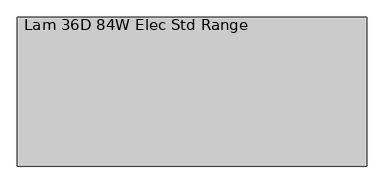
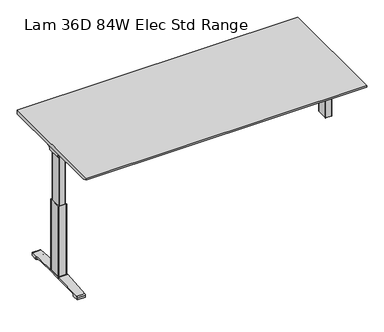
"""IFC4 building model written with IfcOpenShell, lengths in millimetres: furniture geometry, Lam 36D 84W Elec Std Range."""

from ifc_helpers import new_model, si_unit, point, frame, frame_2d, origin, place, context, project, spatial, polyline, circle_curve, ellipse_curve, trimmed, segment, composite_curve, outline, extrude, source, transform, mapped, element, save
from ifc_brep_helpers import plane_surface, cylinder_surface, revolved_surface, advanced_brep


def lam_36d_84w_elec_std_range_c8748b2a(model_context):
    return source(origin(), model_context, "Body", "SolidModel", [
        extrude(outline(polyline([(-442.976, 1066.8), (442.976, 1066.8), (442.976, 1037.209), (-400.0626663, 1037.209), (-442.976, 1055.7002), (-442.976, 1066.8)])), frame((-1039.876, 0.0, 0.0), z_axis=(1.0, 0.0, 0.0), x_axis=(0.0, 1.0, 0.0)), (0.0, 0.0, 1.0), 2079.752),
        advanced_brep(
        [(-1023.5406297, 53.5092702, 988.7915733), (-857.8122138, 53.5092702, 988.7915733), (-872.1924181, 51.2808169, 986.1442785), (-1021.0518591, 51.2808169, 986.1442785), (-1023.7625278, 53.518256, 989.0276054), (-1026.1619089, 54.1622827, 1005.9443054), (-843.3773962, 54.1622827, 1005.9443054), (-843.3773962, 53.8142965, 996.8037253), (-846.2075093, 53.7331058, 994.6710821), (-846.3501644, 53.6554397, 992.6310191), (-1027.0185362, 59.6293181, 1011.9839076), (-843.3773962, 59.6293181, 1011.9839076), (-1029.5393767, 174.2005225, 1029.7569507), (-965.3243442, 174.2005225, 1029.7569507), (-843.3773962, 93.3958, 1017.2219877), (-1029.6128152, 177.9765275, 1030.2747243), (-971.0229255, 177.9765275, 1030.2747243), (-1030.2871296, 179.4867839, 1035.0289399), (-1028.5021288, 176.9098888, 1037.209), (-969.4132011, 176.9098888, 1037.209), (-1030.2871296, -179.4867839, 1035.0289399), (-1029.6128152, -177.9765275, 1030.2747243), (-971.0229255, -177.9765275, 1030.2747243), (-969.4132011, -176.9098888, 1037.209), (-1028.5021288, -176.9098888, 1037.209), (-1029.5393767, -174.2005225, 1029.7569507), (-965.3243442, -174.2005225, 1029.7569507), (-1027.0185362, -59.6293181, 1011.9839076), (-843.3773962, -59.6293181, 1011.9839076), (-843.3773962, -93.3958, 1017.2219877), (-1026.1619089, -54.1622827, 1005.9443054), (-843.3773962, -54.1622827, 1005.9443054), (-1023.7625278, -53.518256, 989.0276054), (-1023.5406297, -53.5092702, 988.7915733), (-857.8122138, -53.5092702, 988.7915733), (-846.3501644, -53.6554397, 992.6310191), (-846.2075093, -53.7331058, 994.6710821), (-843.3773962, -53.8142965, 996.8037253), (-1021.0518591, -51.2808169, 986.1442785), (-872.1924181, -51.2808169, 986.1442785), (-843.3773962, -93.3958, 1037.209), (-843.3773962, 93.3958, 1037.209)],
        [
            (0, 1),
            (1, 2, ellipse_curve(frame((-882.0936465, 130.5470009, 1080.3086722), z_axis=(0.0, 0.7650318638532662, -0.6439924279750482), x_axis=(0.0, 0.6439924279750482, 0.7650318638532662)), 123.7641411, 94.6835116)),
            (2, 3),
            (3, 0),
            (0, 4),
            (4, 5),
            (5, 6),
            (6, 7),
            (7, 8),
            (8, 9),
            (9, 1, ellipse_curve(frame((-882.0936465, 56.9933686, 1080.3086722), z_axis=(0.0, 0.999276106683639, -0.03804290487316255), x_axis=(0.0, 0.03804290487316397, 0.999276106683639)), 94.752102, 94.6835116)),
            (5, 10, ellipse_curve(frame((-1026.1119691, 60.6208409, 1005.5922075), z_axis=(-0.990090671484964, 0.0, -0.14042956326377007), x_axis=(-0.1404295632637696, 0.0, 0.990090671484964)), 6.5328852, 6.4681487)),
            (10, 11),
            (11, 6, circle_curve(frame((-843.3773962, 60.6208409, 1005.5922075), z_axis=(1.0, 0.0, 0.0), x_axis=(0.0, 1.0, 0.0)), 6.4681487)),
            (10, 12),
            (12, 13),
            (13, 14),
            (14, 11),
            (12, 15),
            (15, 16),
            (16, 13),
            (15, 17, ellipse_curve(frame((-1030.0730772, 175.9994111, 1033.5197755), z_axis=(0.990090671484964, 0.0, 0.14042956326377007), x_axis=(0.1404295632637696, 0.0, -0.990090671484964)), 3.8379455, 3.7999141)),
            (17, 18, ellipse_curve(frame((-1031.522811, 175.9994111, 1033.5197755), z_axis=(0.7737284588433301, 0.0, -0.6335173809580328), x_axis=(0.6335173809580328, 0.0, 0.77372845884333)), 4.9111727, 3.7999141)),
            (18, 19),
            (19, 16, ellipse_curve(frame((-968.039148, 175.9994111, 1033.5197755), z_axis=(-0.5523637579768177, -0.8336031902972346, 0.0), x_axis=(0.8336031902972346, -0.5523637579768177, 0.0)), 6.8793689, 3.7999141)),
            (20, 21, ellipse_curve(frame((-1030.0730772, -175.9994111, 1033.5197755), z_axis=(0.990090671484964, 0.0, 0.14042956326377007), x_axis=(0.1404295632637696, 0.0, -0.990090671484964)), 3.8379455, 3.7999141)),
            (21, 22),
            (22, 23, ellipse_curve(frame((-968.039148, -175.9994111, 1033.5197755), z_axis=(-0.5523637579750422, 0.8336031902984112, 0.0), x_axis=(0.8336031902984111, 0.5523637579750423, 0.0)), 6.8793689, 3.7999141)),
            (23, 24),
            (24, 20, ellipse_curve(frame((-1031.522811, -175.9994111, 1033.5197755), z_axis=(0.7737284588433301, 0.0, -0.6335173809580328), x_axis=(0.6335173809580328, 0.0, 0.77372845884333)), 4.9111727, 3.7999141)),
            (21, 25),
            (25, 26),
            (26, 22),
            (27, 28),
            (28, 29),
            (29, 26),
            (25, 27),
            (27, 30, ellipse_curve(frame((-1026.1119691, -60.6208409, 1005.5922075), z_axis=(-0.990090671484964, 0.0, -0.14042956326377007), x_axis=(-0.1404295632637696, 0.0, 0.990090671484964)), 6.5328852, 6.4681487)),
            (30, 31),
            (31, 28, circle_curve(frame((-843.3773962, -60.6208409, 1005.5922075), z_axis=(1.0, 0.0, 0.0), x_axis=(0.0, 1.0, 0.0)), 6.4681487)),
            (30, 32),
            (32, 33),
            (33, 34),
            (34, 35, ellipse_curve(frame((-882.0936465, -56.9933686, 1080.3086722), z_axis=(0.0, -0.9992761066836363, -0.03804290487323539), x_axis=(0.0, 0.03804290487323121, -0.9992761066836364)), 94.752102, 94.6835116)),
            (35, 36),
            (36, 37),
            (37, 31),
            (33, 38),
            (38, 39),
            (39, 34, ellipse_curve(frame((-882.0936465, -130.5470009, 1080.3086722), z_axis=(0.0, -0.7650318638534733, -0.643992427974802), x_axis=(0.0, 0.643992427974802, -0.7650318638534732)), 123.7641411, 94.6835116)),
            (4, 32),
            (20, 17),
            (24, 18),
            (23, 40),
            (40, 41),
            (41, 19),
            (37, 7),
            (14, 41),
            (40, 29),
            (36, 8),
            (35, 9),
            (39, 2),
            (38, 3),
        ],
        [
            plane_surface(frame((-1046.5773962, 51.2808169, 986.1442785), z_axis=(0.0, 0.7650318638532662, -0.6439924279750482), x_axis=(1.0, 0.0, 0.0))),
            plane_surface(frame((-1046.5773962, 53.5092702, 988.7915733), z_axis=(0.0, 0.999276106683639, -0.03804290487316255), x_axis=(1.0, 0.0, 0.0))),
            revolved_surface(polyline([(-1027.0293793154883, 67.08898959999999, 1005.5922075), (-843.3773962, 67.08898959999999, 1005.5922075)]), (-1046.5773962, 60.6208409, 1005.5922075), (-1.0, 0.0, 0.0)),
            plane_surface(frame((-1046.5773962, 59.6293181, 1011.9839076), z_axis=(0.0, 0.153293135871396, -0.9881807600306302), x_axis=(1.0, 0.0, 0.0))),
            plane_surface(frame((-1046.5773962, 174.2005225, 1029.7569507), z_axis=(0.0, 0.13585085469026903, -0.9907292996979162), x_axis=(1.0, 0.0, 0.0))),
            cylinder_surface(frame((-1046.5773962, 175.9994111, 1033.5197755), z_axis=(1.0, 0.0, 0.0), x_axis=(0.0, 1.0, 0.0)), 3.7999141),
            cylinder_surface(frame((-1046.5773962, -175.9994111, 1033.5197755), z_axis=(1.0, 0.0, 0.0), x_axis=(0.0, 1.0, 0.0)), 3.7999141),
            plane_surface(frame((-1046.5773962, -177.9765275, 1030.2747243), z_axis=(0.0, -0.13585085468791205, -0.9907292996982394), x_axis=(1.0, 0.0, 0.0))),
            plane_surface(frame((-1046.5773962, -174.2005225, 1029.7569507), z_axis=(0.0, -0.1532931358714066, -0.9881807600306285), x_axis=(1.0, 0.0, 0.0))),
            revolved_surface(polyline([(-1027.0293793154883, -54.1526922, 1005.5922075), (-843.3773962, -54.1526922, 1005.5922075)]), (-1046.5773962, -60.6208409, 1005.5922075), (-1.0, 0.0, 0.0)),
            plane_surface(frame((-1046.5773962, -54.1622827, 1005.9443054), z_axis=(0.0, -0.9992761066836363, -0.03804290487323539), x_axis=(1.0, 0.0, 0.0))),
            plane_surface(frame((-1046.5773962, -53.5092702, 988.7915733), z_axis=(0.0, -0.7650318638534733, -0.643992427974802), x_axis=(1.0, 0.0, 0.0))),
            plane_surface(frame((-1023.7625278, 190.5, 989.0276054), z_axis=(-0.990090671484964, 0.0, -0.14042956326377007), x_axis=(0.0, -1.0, 0.0))),
            plane_surface(frame((-1030.2871296, 190.5, 1035.0289399), z_axis=(-0.7737284588433301, 0.0, 0.6335173809580328), x_axis=(0.0, -1.0, 0.0))),
            plane_surface(frame((-1028.5021288, 190.5, 1037.209), z_axis=(0.0, 0.0, 1.0), x_axis=(0.0, -1.0, 0.0))),
            plane_surface(frame((-843.3773962, 190.5, 1037.209), z_axis=(1.0, 0.0, 0.0), x_axis=(0.0, -1.0, 0.0))),
            plane_surface(frame((-843.3773962, 190.5, 996.8037253), z_axis=(0.6018150231516033, 0.0, -0.7986355100476283), x_axis=(0.0, -1.0, 0.0))),
            plane_surface(frame((-846.2075093, 190.5, 994.6710821), z_axis=(0.9975640502600355, 0.0, -0.06975647374110414), x_axis=(0.0, -1.0, 0.0))),
            cylinder_surface(frame((-882.0936465, 190.5, 1080.3086722), z_axis=(0.0, 1.0, 0.0), x_axis=(1.0, 0.0, 0.0)), 94.6835116),
            plane_surface(frame((-872.1924181, 190.5, 986.1442785), z_axis=(0.0, 0.0, -1.0), x_axis=(0.0, -1.0, 0.0))),
            plane_surface(frame((-1021.0518591, 190.5, 986.1442785), z_axis=(-0.728584606419653, 0.0, -0.6849558170337118), x_axis=(0.0, -1.0, 0.0))),
            plane_surface(frame((-989.9228017, 190.5, 1037.209), z_axis=(0.5523637579768177, 0.8336031902972346, 0.0), x_axis=(0.0, 0.0, -1.0))),
            plane_surface(frame((-843.3773962, -93.3958, 1037.209), z_axis=(0.5523637579750422, -0.8336031902984112, 0.0), x_axis=(0.0, 0.0, -1.0))),
        ],
        [
            (0, [[1, 2, 3, 4]]),
            (1, [[-1, 5, 6, 7, 8, 9, 10, 11]]),
            (2, [[-7, 12, 13, 14]]),
            (3, [[-13, 15, 16, 17, 18]]),
            (4, [[19, 20, 21, -16]]),
            (5, [[22, 23, 24, 25, -20]]),
            (6, [[26, 27, 28, 29, 30]]),
            (7, [[31, 32, 33, -27]]),
            (8, [[34, 35, 36, -32, 37]]),
            (9, [[-34, 38, 39, 40]]),
            (10, [[-39, 41, 42, 43, 44, 45, 46, 47]]),
            (11, [[-43, 48, 49, 50]]),
            (12, [[51, -41, -38, -37, -31, -26, 52, -22, -19, -15, -12, -6]]),
            (13, [[-52, -30, 53, -23]]),
            (14, [[-53, -29, 54, 55, 56, -24]]),
            (15, [[57, -8, -14, -18, 58, -55, 59, -35, -40, -47]]),
            (16, [[-57, -46, 60, -9]]),
            (17, [[-60, -45, 61, -10]]),
            (18, [[-61, -44, -50, 62, -2, -11]]),
            (19, [[-62, -49, 63, -3]]),
            (20, [[-51, -5, -4, -63, -48, -42]]),
            (21, [[-56, -58, -17, -21, -25]]),
            (22, [[-54, -28, -33, -36, -59]]),
        ],
    ),
        advanced_brep(
        [(857.8122138, 53.5092702, 988.7915733), (1023.5406297, 53.5092702, 988.7915733), (1021.0518591, 51.2808169, 986.1442785), (872.1924181, 51.2808169, 986.1442785), (846.3501644, 53.6554397, 992.6310191), (846.2075093, 53.7331058, 994.6710821), (843.5619573, 53.8090018, 996.6646485), (843.5619573, 54.1622827, 1005.9443054), (1026.1619089, 54.1622827, 1005.9443054), (1023.7625278, 53.518256, 989.0276054), (843.5619573, 59.6293181, 1011.9839076), (1027.0185362, 59.6293181, 1011.9839076), (843.5619573, 93.3889953, 1017.2209321), (965.3570453, 174.2005225, 1029.7569507), (1029.5393767, 174.2005225, 1029.7569507), (1029.6128152, 177.9765275, 1030.2747243), (971.0480509, 177.9765275, 1030.2747243), (1030.2871296, 179.4867839, 1035.0289399), (969.4404665, 176.9098888, 1037.209), (1028.5021288, 176.9098888, 1037.209), (1029.6128152, -177.9765275, 1030.2747243), (1030.2871296, -179.4867839, 1035.0289399), (1028.5021288, -176.9098888, 1037.209), (969.4404665, -176.9098888, 1037.209), (971.0480509, -177.9765275, 1030.2747243), (1029.5393767, -174.2005225, 1029.7569507), (965.3570453, -174.2005225, 1029.7569507), (843.5619573, -59.6293181, 1011.9839076), (1027.0185362, -59.6293181, 1011.9839076), (843.5619573, -93.3889953, 1017.2209321), (843.5619573, -54.1622827, 1005.9443054), (1026.1619089, -54.1622827, 1005.9443054), (843.5619573, -53.8090018, 996.6646485), (846.2075093, -53.7331058, 994.6710821), (846.3501644, -53.6554397, 992.6310191), (857.8122138, -53.5092702, 988.7915733), (1023.5406297, -53.5092702, 988.7915733), (1023.7625278, -53.518256, 989.0276054), (872.1924181, -51.2808169, 986.1442785), (1021.0518591, -51.2808169, 986.1442785), (843.5619573, 93.3889953, 1037.209), (843.5619573, -93.3889953, 1037.209)],
        [
            (0, 1),
            (1, 2),
            (2, 3),
            (3, 0, ellipse_curve(frame((882.0936465, 130.5470009, 1080.3086722), z_axis=(0.0, 0.7650318638532565, -0.6439924279750596), x_axis=(0.0, -0.6439924279750596, -0.7650318638532564)), 123.7641411, 94.6835116)),
            (0, 4, ellipse_curve(frame((882.0936465, 56.9933686, 1080.3086722), z_axis=(0.0, 0.9992761066836392, -0.03804290487315862), x_axis=(0.0, -0.03804290487315623, -0.9992761066836393)), 94.752102, 94.6835116)),
            (4, 5),
            (5, 6),
            (6, 7),
            (7, 8),
            (8, 9),
            (9, 1),
            (7, 10, circle_curve(frame((843.5619573, 60.6208409, 1005.5922075), z_axis=(-1.0, 0.0, 0.0), x_axis=(0.0, 1.0, 0.0)), 6.4681487)),
            (10, 11),
            (11, 8, ellipse_curve(frame((1026.1119691, 60.6208409, 1005.5922075), z_axis=(0.9900906714849659, 0.0, -0.1404295632637567), x_axis=(-0.1404295632637562, 0.0, -0.9900906714849659)), 6.5328852, 6.4681487)),
            (10, 12),
            (12, 13),
            (13, 14),
            (14, 11),
            (15, 14),
            (13, 16),
            (16, 15),
            (17, 15, ellipse_curve(frame((1030.0730772, 175.9994111, 1033.5197755), z_axis=(-0.9900906714849659, 0.0, 0.1404295632637567), x_axis=(0.1404295632637562, 0.0, 0.9900906714849659)), 3.8379455, 3.7999141)),
            (16, 18, ellipse_curve(frame((968.06824, 175.9994111, 1033.5197755), z_axis=(0.5528743936295489, -0.8332646067539162, 0.0), x_axis=(0.8332646067539162, 0.5528743936295489, 0.0)), 6.8730151, 3.7999141)),
            (18, 19),
            (19, 17, ellipse_curve(frame((1031.522811, 175.9994111, 1033.5197755), z_axis=(-0.7737284588399557, 0.0, -0.633517380962154), x_axis=(0.6335173809621538, 0.0, -0.7737284588399556)), 4.9111727, 3.7999141)),
            (20, 21, ellipse_curve(frame((1030.0730772, -175.9994111, 1033.5197755), z_axis=(-0.9900906714849659, 0.0, 0.1404295632637567), x_axis=(0.1404295632637562, 0.0, 0.9900906714849659)), 3.8379455, 3.7999141)),
            (21, 22, ellipse_curve(frame((1031.522811, -175.9994111, 1033.5197755), z_axis=(-0.7737284588399557, 0.0, -0.633517380962154), x_axis=(0.6335173809621538, 0.0, -0.7737284588399556)), 4.9111727, 3.7999141)),
            (22, 23),
            (23, 24, ellipse_curve(frame((968.06824, -175.9994111, 1033.5197755), z_axis=(0.552874393629534, 0.8332646067539262, 0.0), x_axis=(0.8332646067539261, -0.552874393629534, 0.0)), 6.8730151, 3.7999141)),
            (24, 20),
            (25, 20),
            (24, 26),
            (26, 25),
            (27, 28),
            (28, 25),
            (26, 29),
            (29, 27),
            (27, 30, circle_curve(frame((843.5619573, -60.6208409, 1005.5922075), z_axis=(-1.0, 0.0, 0.0), x_axis=(0.0, 1.0, 0.0)), 6.4681487)),
            (30, 31),
            (31, 28, ellipse_curve(frame((1026.1119691, -60.6208409, 1005.5922075), z_axis=(0.9900906714849659, 0.0, -0.1404295632637567), x_axis=(-0.1404295632637562, 0.0, -0.9900906714849659)), 6.5328852, 6.4681487)),
            (30, 32),
            (32, 33),
            (33, 34),
            (34, 35, ellipse_curve(frame((882.0936465, -56.9933686, 1080.3086722), z_axis=(0.0, -0.9992761066836363, -0.03804290487323539), x_axis=(0.0, -0.03804290487323121, 0.9992761066836364)), 94.752102, 94.6835116)),
            (35, 36),
            (36, 37),
            (37, 31),
            (35, 38, ellipse_curve(frame((882.0936465, -130.5470009, 1080.3086722), z_axis=(0.0, -0.7650318638534733, -0.643992427974802), x_axis=(0.0, -0.643992427974802, 0.7650318638534732)), 123.7641411, 94.6835116)),
            (38, 39),
            (39, 36),
            (37, 9),
            (17, 21),
            (19, 22),
            (18, 40),
            (40, 41),
            (41, 23),
            (6, 32),
            (29, 41),
            (40, 12),
            (5, 33),
            (4, 34),
            (3, 38),
            (2, 39),
        ],
        [
            plane_surface(frame((843.5619573, 51.2808169, 986.1442785), z_axis=(0.0, 0.7650318638532565, -0.6439924279750596), x_axis=(1.0, 0.0, 0.0))),
            plane_surface(frame((843.5619573, 53.5092702, 988.7915733), z_axis=(0.0, 0.9992761066836392, -0.03804290487315862), x_axis=(1.0, 0.0, 0.0))),
            revolved_surface(polyline([(843.5619573, 67.08898959999999, 1005.5922075), (1027.029379315488, 67.08898959999999, 1005.5922075)]), (843.5619573, 60.6208409, 1005.5922075), (-1.0, 0.0, 0.0)),
            plane_surface(frame((843.5619573, 59.6293181, 1011.9839076), z_axis=(0.0, 0.15329313587140309, -0.988180760030629), x_axis=(1.0, 0.0, 0.0))),
            plane_surface(frame((843.5619573, 174.2005225, 1029.7569507), z_axis=(0.0, 0.1358508546900816, -0.9907292996979419), x_axis=(1.0, 0.0, 0.0))),
            cylinder_surface(frame((843.5619573, 175.9994111, 1033.5197755), z_axis=(1.0, 0.0, 0.0), x_axis=(0.0, 1.0, 0.0)), 3.7999141),
            cylinder_surface(frame((843.5619573, -175.9994111, 1033.5197755), z_axis=(1.0, 0.0, 0.0), x_axis=(0.0, 1.0, 0.0)), 3.7999141),
            plane_surface(frame((843.5619573, -177.9765275, 1030.2747243), z_axis=(0.0, -0.1358508546877776, -0.9907292996982578), x_axis=(1.0, 0.0, 0.0))),
            plane_surface(frame((843.5619573, -174.2005225, 1029.7569507), z_axis=(0.0, -0.15329313587141113, -0.9881807600306277), x_axis=(1.0, 0.0, 0.0))),
            revolved_surface(polyline([(843.5619573, -54.1526922, 1005.5922075), (1027.029379315488, -54.1526922, 1005.5922075)]), (843.5619573, -60.6208409, 1005.5922075), (-1.0, 0.0, 0.0)),
            plane_surface(frame((843.5619573, -54.1622827, 1005.9443054), z_axis=(0.0, -0.9992761066836363, -0.03804290487323539), x_axis=(1.0, 0.0, 0.0))),
            plane_surface(frame((843.5619573, -53.5092702, 988.7915733), z_axis=(0.0, -0.7650318638534733, -0.643992427974802), x_axis=(1.0, 0.0, 0.0))),
            plane_surface(frame((1023.7625278, -190.5, 989.0276054), z_axis=(0.9900906714849659, 0.0, -0.1404295632637567), x_axis=(0.0, 1.0, 0.0))),
            plane_surface(frame((1030.2871296, -190.5, 1035.0289399), z_axis=(0.7737284588399557, 0.0, 0.633517380962154), x_axis=(0.0, 1.0, 0.0))),
            plane_surface(frame((1028.5021288, -190.5, 1037.209), z_axis=(0.0, 0.0, 1.0), x_axis=(0.0, 1.0, 0.0))),
            plane_surface(frame((843.5619573, -190.5, 1037.209), z_axis=(-1.0, 0.0, 0.0), x_axis=(0.0, 1.0, 0.0))),
            plane_surface(frame((843.5619573, -190.5, 996.6646485), z_axis=(-0.6018150231540728, 0.0, -0.7986355100457674), x_axis=(0.0, 1.0, 0.0))),
            plane_surface(frame((846.2075093, -190.5, 994.6710821), z_axis=(-0.9975640502598242, 0.0, -0.06975647374412697), x_axis=(0.0, 1.0, 0.0))),
            cylinder_surface(frame((882.0936465, -190.5, 1080.3086722), z_axis=(0.0, -1.0, 0.0), x_axis=(-1.0, 0.0, 0.0)), 94.6835116),
            plane_surface(frame((872.1924181, -190.5, 986.1442785), z_axis=(0.0, 0.0, -1.0), x_axis=(0.0, 1.0, 0.0))),
            plane_surface(frame((1021.0518591, -190.5, 986.1442785), z_axis=(0.7285846064222866, 0.0, -0.6849558170309101), x_axis=(0.0, 1.0, 0.0))),
            plane_surface(frame((843.5619573, 93.3889953, 1037.209), z_axis=(-0.5528743936295489, 0.8332646067539162, 0.0), x_axis=(0.0, 0.0, -1.0))),
            plane_surface(frame((989.9228017, -190.5, 1037.209), z_axis=(-0.552874393629534, -0.8332646067539262, 0.0), x_axis=(0.0, 0.0, -1.0))),
        ],
        [
            (0, [[1, 2, 3, 4]]),
            (1, [[-1, 5, 6, 7, 8, 9, 10, 11]]),
            (2, [[-9, 12, 13, 14]]),
            (3, [[-13, 15, 16, 17, 18]]),
            (4, [[19, -17, 20, 21]]),
            (5, [[22, -21, 23, 24, 25]]),
            (6, [[26, 27, 28, 29, 30]]),
            (7, [[31, -30, 32, 33]]),
            (8, [[34, 35, -33, 36, 37]]),
            (9, [[-34, 38, 39, 40]]),
            (10, [[-39, 41, 42, 43, 44, 45, 46, 47]]),
            (11, [[-45, 48, 49, 50]]),
            (12, [[51, -10, -14, -18, -19, -22, 52, -26, -31, -35, -40, -47]]),
            (13, [[-52, -25, 53, -27]]),
            (14, [[-53, -24, 54, 55, 56, -28]]),
            (15, [[57, -41, -38, -37, 58, -55, 59, -15, -12, -8]]),
            (16, [[-57, -7, 60, -42]]),
            (17, [[-60, -6, 61, -43]]),
            (18, [[-61, -5, -4, 62, -48, -44]]),
            (19, [[-62, -3, 63, -49]]),
            (20, [[-51, -46, -50, -63, -2, -11]]),
            (21, [[-54, -23, -20, -16, -59]]),
            (22, [[-56, -58, -36, -32, -29]]),
        ],
    ),
        advanced_brep(
        [(-843.3773962, 78.6831697, 1031.9794894), (-843.3773962, 80.4475242, 1034.2075511), (-843.3773962, 91.4281225, 1034.2075511), (-843.3773962, 92.1582919, 1031.6093085), (-843.3773962, 70.7319108, 1002.0462148), (-843.3773962, 53.3310914, 993.4452863), (-843.3773962, -53.4567844, 993.4452863), (-843.3773962, -71.0845783, 1002.4997482), (-843.3773962, -92.4192862, 1032.2706054), (-843.3773962, -90.7807234, 1034.3266572), (-843.3773962, -80.5655902, 1034.3266572), (-843.3773962, -78.6946152, 1031.9794894), (-843.3773962, -79.4358363, 1031.4423822), (-843.3773962, -81.0060637, 1033.4122572), (-843.3773962, -90.6846762, 1033.4122572), (-843.3773962, -91.4905649, 1032.5444366), (-843.3773962, -70.3413256, 1003.0323858), (-843.3773962, -53.4567844, 994.3598536), (-843.3773962, 53.3310914, 994.3596863), (-843.3773962, 69.99844, 1002.5923713), (-843.3773962, 91.3521627, 1032.0552144), (-843.3773962, 91.0948942, 1033.2931511), (-843.3773962, 80.889809, 1033.2931511), (-843.3773962, 79.4242719, 1031.4424419), (843.5619573, 78.6831697, 1031.9794894), (843.5619573, 79.4242719, 1031.4424419), (843.5619573, 80.889809, 1033.2931511), (843.5619573, 91.0948942, 1033.2931511), (843.5619573, 91.3521627, 1032.0552144), (843.5619573, 69.99844, 1002.5923713), (843.5619573, 53.3310914, 994.3596863), (843.5619573, -53.4567845, 994.3596863), (843.5619573, -70.3413256, 1003.0323858), (843.5619573, -91.4905649, 1032.5444366), (843.5619573, -90.6846762, 1033.4122572), (843.5619573, -81.0060637, 1033.4122572), (843.5619573, -79.4358363, 1031.4423822), (843.5619573, -78.6946152, 1031.9794894), (843.5619573, -80.5655902, 1034.3266572), (843.5619573, -90.7807234, 1034.3266572), (843.5619573, -92.4192862, 1032.2706054), (843.5619573, -71.0845783, 1002.4997482), (843.5619573, -53.4567844, 993.4454536), (843.5619573, 53.3310914, 993.4452863), (843.5619573, 70.7319108, 1002.0462148), (843.5619573, 92.1582919, 1031.6093085), (843.5619573, 91.4281225, 1034.2075511), (843.5619573, 80.4475242, 1034.2075511)],
        [
            (0, 1),
            (1, 2),
            (2, 3, circle_curve(frame((-843.3773962, 90.2105576, 1032.4636667), z_axis=(-1.0, 0.0, 0.0), x_axis=(0.0, 1.0, 0.0)), 2.1268749)),
            (3, 4),
            (4, 5, circle_curve(frame((-843.3773962, 53.3310914, 1015.3478336), z_axis=(-1.0, 0.0, 0.0), x_axis=(0.0, 1.0, 0.0)), 21.9025472)),
            (5, 6),
            (6, 7, circle_curve(frame((-843.3773962, -53.4567844, 1015.132365), z_axis=(-1.0, 0.0, 0.0), x_axis=(0.0, 1.0, 0.0)), 21.6869114)),
            (7, 8),
            (8, 9, circle_curve(frame((-843.3773962, -90.4189365, 1032.3573833), z_axis=(-1.0, 0.0, 0.0), x_axis=(0.0, 1.0, 0.0)), 2.0022311)),
            (9, 10),
            (10, 11),
            (11, 12),
            (12, 13),
            (13, 14),
            (14, 15, circle_curve(frame((-843.3773962, -90.4189365, 1032.3573833), z_axis=(1.0, 0.0, 0.0), x_axis=(0.0, 1.0, 0.0)), 1.0878311)),
            (15, 16),
            (16, 17, circle_curve(frame((-843.3773962, -53.4567844, 1015.132365), z_axis=(1.0, 0.0, 0.0), x_axis=(0.0, 1.0, 0.0)), 20.7725114)),
            (17, 18),
            (18, 19, circle_curve(frame((-843.3773962, 53.3310914, 1015.3478336), z_axis=(1.0, 0.0, 0.0), x_axis=(0.0, 1.0, 0.0)), 20.9881473)),
            (19, 20),
            (20, 21, circle_curve(frame((-843.3773962, 90.2105576, 1032.4636667), z_axis=(1.0, 0.0, 0.0), x_axis=(0.0, 1.0, 0.0)), 1.2124749)),
            (21, 22),
            (22, 23),
            (23, 0),
            (24, 25),
            (25, 26),
            (26, 27),
            (27, 28, circle_curve(frame((843.5619573, 90.2105576, 1032.4636667), z_axis=(-1.0, 0.0, 0.0), x_axis=(0.0, 1.0, 0.0)), 1.2124749)),
            (28, 29),
            (29, 30, circle_curve(frame((843.5619573, 53.3310914, 1015.3478336), z_axis=(-1.0, 0.0, 0.0), x_axis=(0.0, 1.0, 0.0)), 20.9881473)),
            (30, 31),
            (31, 32, circle_curve(frame((843.5619573, -53.4567844, 1015.132365), z_axis=(-1.0, 0.0, 0.0), x_axis=(0.0, 1.0, 0.0)), 20.7725114)),
            (32, 33),
            (33, 34, circle_curve(frame((843.5619573, -90.4189365, 1032.3573833), z_axis=(-1.0, 0.0, 0.0), x_axis=(0.0, 1.0, 0.0)), 1.0878311)),
            (34, 35),
            (35, 36),
            (36, 37),
            (37, 38),
            (38, 39),
            (39, 40, circle_curve(frame((843.5619573, -90.4189365, 1032.3573833), z_axis=(1.0, 0.0, 0.0), x_axis=(0.0, 1.0, 0.0)), 2.0022311)),
            (40, 41),
            (41, 42, circle_curve(frame((843.5619573, -53.4567844, 1015.132365), z_axis=(1.0, 0.0, 0.0), x_axis=(0.0, 1.0, 0.0)), 21.6869114)),
            (42, 43),
            (43, 44, circle_curve(frame((843.5619573, 53.3310914, 1015.3478336), z_axis=(1.0, 0.0, 0.0), x_axis=(0.0, 1.0, 0.0)), 21.9025472)),
            (44, 45),
            (45, 46, circle_curve(frame((843.5619573, 90.2105576, 1032.4636667), z_axis=(1.0, 0.0, 0.0), x_axis=(0.0, 1.0, 0.0)), 2.1268749)),
            (46, 47),
            (47, 24),
            (0, 24),
            (47, 1),
            (46, 2),
            (45, 3),
            (44, 4),
            (43, 5),
            (42, 6),
            (41, 7),
            (40, 8),
            (39, 9),
            (38, 10),
            (37, 11),
            (36, 12),
            (35, 13),
            (34, 14),
            (33, 15),
            (32, 16),
            (31, 17),
            (30, 18),
            (29, 19),
            (28, 20),
            (27, 21),
            (26, 22),
            (25, 23),
        ],
        [
            plane_surface(frame((-843.3773962, 0.0, 1037.209), z_axis=(-1.0, 0.0, 0.0), x_axis=(0.0, 0.0, 1.0))),
            plane_surface(frame((843.5619573, 0.0, 1037.209), z_axis=(1.0, 0.0, 0.0), x_axis=(0.0, 0.0, 1.0))),
            plane_surface(frame((-843.3773962, 78.6831697, 1031.9794894), z_axis=(0.0, -0.7839649337165058, 0.6208051084703434), x_axis=(1.0, 0.0, 0.0))),
            plane_surface(frame((-843.3773962, 80.4475242, 1034.2075511), z_axis=(0.0, 0.0, 1.0), x_axis=(1.0, 0.0, 0.0))),
            cylinder_surface(frame((-843.3773962, 90.2105576, 1032.4636667), z_axis=(-1.0, 0.0, 0.0), x_axis=(0.0, 1.0, 0.0)), 2.1268749),
            plane_surface(frame((-843.3773962, 92.1582919, 1031.6093085), z_axis=(0.0, 0.8096997445281038, -0.586844377762217), x_axis=(1.0, 0.0, 0.0))),
            cylinder_surface(frame((-843.3773962, 53.3310914, 1015.3478336), z_axis=(-1.0, 0.0, 0.0), x_axis=(0.0, 1.0, 0.0)), 21.9025472),
            plane_surface(frame((-843.3773962, 53.3310914, 993.4452863), z_axis=(0.0, 0.0, -1.0), x_axis=(1.0, 0.0, 0.0))),
            cylinder_surface(frame((-843.3773962, -53.4567844, 1015.132365), z_axis=(-1.0, 0.0, 0.0), x_axis=(0.0, 1.0, 0.0)), 21.6869114),
            plane_surface(frame((-843.3773962, -71.0845783, 1002.4997482), z_axis=(0.0, -0.8128309997561537, -0.5824995844079305), x_axis=(1.0, 0.0, 0.0))),
            cylinder_surface(frame((-843.3773962, -90.4189365, 1032.3573833), z_axis=(-1.0, 0.0, 0.0), x_axis=(0.0, 1.0, 0.0)), 2.0022311),
            plane_surface(frame((-843.3773962, -90.7807234, 1034.3266572), z_axis=(0.0, 0.0, 1.0), x_axis=(1.0, 0.0, 0.0))),
            plane_surface(frame((-843.3773962, -80.5655902, 1034.3266572), z_axis=(0.0, 0.7819660587237972, 0.6233210112004657), x_axis=(1.0, 0.0, 0.0))),
            plane_surface(frame((-843.3773962, -78.6946152, 1031.9794894), z_axis=(0.0, 0.5867684336468096, -0.8097547809526473), x_axis=(1.0, 0.0, 0.0))),
            plane_surface(frame((-843.3773962, -79.4358363, 1031.4423822), z_axis=(0.0, -0.7819660587239206, -0.6233210112003109), x_axis=(1.0, 0.0, 0.0))),
            plane_surface(frame((-843.3773962, -81.0060637, 1033.4122572), z_axis=(0.0, 0.0, -1.0), x_axis=(1.0, 0.0, 0.0))),
            revolved_surface(polyline([(843.5619572999999, -89.3311054, 1032.3573833), (-843.3773962, -89.3311054, 1032.3573833)]), (-843.3773962, -90.4189365, 1032.3573833), (1.0, 0.0, 0.0)),
            plane_surface(frame((-843.3773962, -91.4905649, 1032.5444366), z_axis=(0.0, 0.8128309996716102, 0.582499584525904), x_axis=(1.0, 0.0, 0.0))),
            revolved_surface(polyline([(843.5619572999999, -32.684273, 1015.132365), (-843.3773962, -32.684273, 1015.132365)]), (-843.3773962, -53.4567844, 1015.132365), (1.0, 0.0, 0.0)),
            plane_surface(frame((-843.3773962, -53.4567845, 994.3596863), z_axis=(0.0, 0.0, 1.0), x_axis=(1.0, 0.0, 0.0))),
            revolved_surface(polyline([(843.5619572999999, 74.3192387, 1015.3478336), (-843.3773962, 74.3192387, 1015.3478336)]), (-843.3773962, 53.3310914, 1015.3478336), (1.0, 0.0, 0.0)),
            plane_surface(frame((-843.3773962, 69.99844, 1002.5923713), z_axis=(0.0, -0.8096997449536107, 0.5868443771751228), x_axis=(1.0, 0.0, 0.0))),
            revolved_surface(polyline([(843.5619572999999, 91.4230325, 1032.4636667), (-843.3773962, 91.4230325, 1032.4636667)]), (-843.3773962, 90.2105576, 1032.4636667), (1.0, 0.0, 0.0)),
            plane_surface(frame((-843.3773962, 91.0948942, 1033.2931511), z_axis=(0.0, 0.0, -1.0), x_axis=(1.0, 0.0, 0.0))),
            plane_surface(frame((-843.3773962, 80.889809, 1033.2931511), z_axis=(0.0, 0.7839649337164979, -0.6208051084703533), x_axis=(1.0, 0.0, 0.0))),
            plane_surface(frame((-843.3773962, 79.4242719, 1031.4424419), z_axis=(0.0, -0.5867873637752554, -0.8097410633737715), x_axis=(1.0, 0.0, 0.0))),
        ],
        [
            (0, [[1, 2, 3, 4, 5, 6, 7, 8, 9, 10, 11, 12, 13, 14, 15, 16, 17, 18, 19, 20, 21, 22, 23, 24]]),
            (1, [[25, 26, 27, 28, 29, 30, 31, 32, 33, 34, 35, 36, 37, 38, 39, 40, 41, 42, 43, 44, 45, 46, 47, 48]]),
            (2, [[-1, 49, -48, 50]]),
            (3, [[-2, -50, -47, 51]]),
            (4, [[-3, -51, -46, 52]]),
            (5, [[-4, -52, -45, 53]]),
            (6, [[-5, -53, -44, 54]]),
            (7, [[-6, -54, -43, 55]]),
            (8, [[-7, -55, -42, 56]]),
            (9, [[-8, -56, -41, 57]]),
            (10, [[-9, -57, -40, 58]]),
            (11, [[-10, -58, -39, 59]]),
            (12, [[-11, -59, -38, 60]]),
            (13, [[-12, -60, -37, 61]]),
            (14, [[-13, -61, -36, 62]]),
            (15, [[-14, -62, -35, 63]]),
            (16, [[-15, -63, -34, 64]]),
            (17, [[-16, -64, -33, 65]]),
            (18, [[-17, -65, -32, 66]]),
            (19, [[-18, -66, -31, 67]]),
            (20, [[-19, -67, -30, 68]]),
            (21, [[-20, -68, -29, 69]]),
            (22, [[-21, -69, -28, 70]]),
            (23, [[-22, -70, -27, 71]]),
            (24, [[-23, -71, -26, 72]]),
            (25, [[-24, -72, -25, -49]]),
        ],
    ),
        extrude(outline(composite_curve([segment(polyline([(-85.2357617, 1035.5739712), (-93.5160102, 1035.5739712), (-94.0273408, 1034.5565876), (-71.001647, 1002.6872047)]), True, "CONTINUOUS"), segment(trimmed(circle_curve(frame_2d((-52.8576186, 1018.2741393)), 23.9198306), [point((-71.001647, 1002.6872047))], [point((-52.8576186, 994.3543087))], True, "CARTESIAN"), True, "CONTINUOUS"), segment(polyline([(-52.8576186, 994.3543087), (160.8304611, 994.3543087)]), True, "CONTINUOUS"), segment(trimmed(circle_curve(frame_2d((161.6245677, 1016.4522042)), 22.1121593), [point((160.8304611, 994.3543087))], [point((179.5297793, 1003.4771903))], True, "CARTESIAN"), True, "CONTINUOUS"), segment(polyline([(179.5297793, 1003.4771903), (201.4820672, 1033.7708273), (202.2225039, 1033.2342821), (180.2702102, 1002.940637)]), True, "CONTINUOUS"), segment(trimmed(circle_curve(frame_2d((161.6245677, 1016.4522042)), 23.0265593), [point((180.2702102, 1002.940637))], [point((160.814203, 993.4399087))], False, "CARTESIAN"), True, "CONTINUOUS"), segment(polyline([(160.814203, 993.4399087), (-52.8576186, 993.4399087)]), True, "CONTINUOUS"), segment(trimmed(circle_curve(frame_2d((-52.8576186, 1018.2741393)), 24.8342306), [point((-52.8576186, 993.4399087))], [point((-71.7205231, 1002.1208163))], False, "CARTESIAN"), True, "CONTINUOUS"), segment(polyline([(-71.7205231, 1002.1208163), (-95.0936869, 1034.4711252), (-94.0798316, 1036.4883712), (-84.9968781, 1036.4883712), (-85.2357617, 1035.5739712)]), True, "CONTINUOUS")], self_intersect=False)), frame((-843.3773962, 0.0, 0.0), z_axis=(1.0, 0.0, 0.0), x_axis=(0.0, 1.0, 0.0)), (0.0, 0.0, 1.0), 1686.9393535),
        advanced_brep(
        [(967.1283088, 44.7482497, 986.1442785), (964.3624028, 42.3950111, 986.1442785), (964.3624028, -42.3786142, 986.1442785), (967.4159671, -44.728013, 986.1442785), (1010.7299922, -44.7482497, 986.1442785), (1013.7895972, -42.3785064, 986.1442785), (1013.7895972, 42.3950956, 986.1442785), (1011.0236912, 44.7482497, 986.1442785), (967.1283088, 44.7482497, 599.0990785), (1011.0236912, 44.7482497, 599.0990785), (1013.7895972, 42.3950956, 599.0990785), (1013.7895972, -42.3785064, 599.0990785), (1010.7360098, -44.7280077, 599.0990785), (967.4220078, -44.7482497, 599.0990785), (964.3624028, -42.3786142, 599.0990785), (964.3624028, 42.3950111, 599.0990785)],
        [
            (0, 1, circle_curve(frame((967.4300788, 41.5914719, 986.1442785), z_axis=(0.0, 0.0, 1.0), x_axis=(1.0, 0.0, 0.0)), 3.1711688)),
            (1, 2),
            (2, 3, circle_curve(frame((967.4159671, -41.568922, 986.1442785), z_axis=(0.0, 0.0, 1.0), x_axis=(1.0, 0.0, 0.0)), 3.1590911)),
            (3, 4),
            (4, 5, circle_curve(frame((1010.7360098, -41.568922, 986.1442785), z_axis=(0.0, 0.0, 1.0), x_axis=(1.0, 0.0, 0.0)), 3.1590858)),
            (5, 6),
            (6, 7, circle_curve(frame((1010.7219439, 41.5914698, 986.1442785), z_axis=(0.0, 0.0, 1.0), x_axis=(1.0, 0.0, 0.0)), 3.1711687)),
            (7, 0),
            (8, 9),
            (9, 10, circle_curve(frame((1010.7219439, 41.5914698, 599.0990785), z_axis=(0.0, 0.0, -1.0), x_axis=(1.0, 0.0, 0.0)), 3.1711687)),
            (10, 11),
            (11, 12, circle_curve(frame((1010.7360098, -41.568922, 599.0990785), z_axis=(0.0, 0.0, -1.0), x_axis=(1.0, 0.0, 0.0)), 3.1590858)),
            (12, 13),
            (13, 14, circle_curve(frame((967.4159671, -41.568922, 599.0990785), z_axis=(0.0, 0.0, -1.0), x_axis=(1.0, 0.0, 0.0)), 3.1590911)),
            (14, 15),
            (15, 8, circle_curve(frame((967.4300788, 41.5914719, 599.0990785), z_axis=(0.0, 0.0, -1.0), x_axis=(1.0, 0.0, 0.0)), 3.1711688)),
            (7, 9),
            (8, 0),
            (6, 10),
            (5, 11),
            (4, 12),
            (3, 13),
            (2, 14),
            (1, 15),
        ],
        [
            plane_surface(frame((970.6012476, 41.5914719, 986.1442785), z_axis=(0.0, 0.0, 1.0), x_axis=(0.0, 1.0, 0.0))),
            plane_surface(frame((970.6012476, 41.5914719, 599.0990785), z_axis=(0.0, 0.0, -1.0), x_axis=(0.0, -1.0, 0.0))),
            plane_surface(frame((1011.0236912, 44.7482497, 986.1442785), z_axis=(0.0, 1.0, 0.0), x_axis=(0.0, 0.0, -1.0))),
            cylinder_surface(frame((1010.7219439, 41.5914698, 599.0990785), z_axis=(0.0, 0.0, 1.0), x_axis=(1.0, 0.0, 0.0)), 3.1711687),
            plane_surface(frame((1013.7895972, -42.3785064, 986.1442785), z_axis=(1.0, 0.0, 0.0), x_axis=(0.0, 0.0, -1.0))),
            cylinder_surface(frame((1010.7360098, -41.568922, 599.0990785), z_axis=(0.0, 0.0, 1.0), x_axis=(1.0, 0.0, 0.0)), 3.1590858),
            plane_surface(frame((967.4220078, -44.7482497, 986.1442785), z_axis=(0.0, -1.0, 0.0), x_axis=(0.0, 0.0, -1.0))),
            cylinder_surface(frame((967.4159671, -41.568922, 599.0990785), z_axis=(0.0, 0.0, 1.0), x_axis=(1.0, 0.0, 0.0)), 3.1590911),
            plane_surface(frame((964.3624028, 42.3950111, 986.1442785), z_axis=(-1.0, 0.0, 0.0), x_axis=(0.0, 0.0, -1.0))),
            cylinder_surface(frame((967.4300788, 41.5914719, 599.0990785), z_axis=(0.0, 0.0, 1.0), x_axis=(1.0, 0.0, 0.0)), 3.1711688),
        ],
        [
            (0, [[1, 2, 3, 4, 5, 6, 7, 8]]),
            (1, [[9, 10, 11, 12, 13, 14, 15, 16]]),
            (2, [[-8, 17, -9, 18]]),
            (3, [[-7, 19, -10, -17]]),
            (4, [[-6, 20, -11, -19]]),
            (5, [[-5, 21, -12, -20]]),
            (6, [[-4, 22, -13, -21]]),
            (7, [[-3, 23, -14, -22]]),
            (8, [[-2, 24, -15, -23]]),
            (9, [[-1, -18, -16, -24]]),
        ],
    ),
        advanced_brep(
        [(-967.1283088, 44.7482497, 986.1442785), (-1011.0236912, 44.7482497, 986.1442785), (-1013.7806448, 42.4285241, 986.1442785), (-1013.7806448, -42.4115492, 986.1442785), (-1010.7360098, -44.7280077, 986.1442785), (-967.4220078, -44.7482497, 986.1442785), (-964.3713552, -42.4116525, 986.1442785), (-964.3713552, 42.4284433, 986.1442785), (-967.1283088, 44.7482497, 599.0990785), (-964.3713552, 42.4284433, 599.0990785), (-964.3713552, -42.4116525, 599.0990785), (-967.4159671, -44.728013, 599.0990785), (-1010.7299922, -44.7482497, 599.0990785), (-1013.7806448, -42.4115492, 599.0990785), (-1013.7806448, 42.4285241, 599.0990785), (-1011.0236912, 44.7482497, 599.0990785)],
        [
            (0, 1),
            (1, 2, circle_curve(frame((-1010.7219439, 41.5914698, 986.1442785), z_axis=(0.0, 0.0, 1.0), x_axis=(-1.0, 0.0, 0.0)), 3.1711687)),
            (2, 3),
            (3, 4, circle_curve(frame((-1010.7360098, -41.568922, 986.1442785), z_axis=(0.0, 0.0, 1.0), x_axis=(-1.0, 0.0, 0.0)), 3.1590858)),
            (4, 5),
            (5, 6, circle_curve(frame((-967.4159671, -41.568922, 986.1442785), z_axis=(0.0, 0.0, 1.0), x_axis=(-1.0, 0.0, 0.0)), 3.1590911)),
            (6, 7),
            (7, 0, circle_curve(frame((-967.4300788, 41.5914719, 986.1442785), z_axis=(0.0, 0.0, 1.0), x_axis=(-1.0, 0.0, 0.0)), 3.1711688)),
            (8, 9, circle_curve(frame((-967.4300788, 41.5914719, 599.0990785), z_axis=(0.0, 0.0, -1.0), x_axis=(-1.0, 0.0, 0.0)), 3.1711688)),
            (9, 10),
            (10, 11, circle_curve(frame((-967.4159671, -41.568922, 599.0990785), z_axis=(0.0, 0.0, -1.0), x_axis=(-1.0, 0.0, 0.0)), 3.1590911)),
            (11, 12),
            (12, 13, circle_curve(frame((-1010.7360098, -41.568922, 599.0990785), z_axis=(0.0, 0.0, -1.0), x_axis=(-1.0, 0.0, 0.0)), 3.1590858)),
            (13, 14),
            (14, 15, circle_curve(frame((-1010.7219439, 41.5914698, 599.0990785), z_axis=(0.0, 0.0, -1.0), x_axis=(-1.0, 0.0, 0.0)), 3.1711687)),
            (15, 8),
            (0, 8),
            (15, 1),
            (14, 2),
            (13, 3),
            (12, 4),
            (11, 5),
            (10, 6),
            (9, 7),
        ],
        [
            plane_surface(frame((-1011.0236912, 44.7482497, 986.1442785), z_axis=(0.0, 0.0, 1.0), x_axis=(-1.0, 0.0, 0.0))),
            plane_surface(frame((-1011.0236912, 44.7482497, 599.0990785), z_axis=(0.0, 0.0, -1.0), x_axis=(1.0, 0.0, 0.0))),
            plane_surface(frame((-967.1283088, 44.7482497, 986.1442785), z_axis=(0.0, 1.0, 0.0), x_axis=(0.0, 0.0, -1.0))),
            cylinder_surface(frame((-1010.7219439, 41.5914698, 599.0990785), z_axis=(0.0, 0.0, 1.0), x_axis=(-1.0, 0.0, 0.0)), 3.1711687),
            plane_surface(frame((-1013.7806448, 42.4285241, 986.1442785), z_axis=(-1.0, 0.0, 0.0), x_axis=(0.0, 0.0, -1.0))),
            cylinder_surface(frame((-1010.7360098, -41.568922, 599.0990785), z_axis=(0.0, 0.0, 1.0), x_axis=(-1.0, 0.0, 0.0)), 3.1590858),
            plane_surface(frame((-1010.7299922, -44.7482497, 986.1442785), z_axis=(0.0, -1.0, 0.0), x_axis=(0.0, 0.0, -1.0))),
            cylinder_surface(frame((-967.4159671, -41.568922, 599.0990785), z_axis=(0.0, 0.0, 1.0), x_axis=(-1.0, 0.0, 0.0)), 3.1590911),
            plane_surface(frame((-964.3713552, -42.4116525, 986.1442785), z_axis=(1.0, 0.0, 0.0), x_axis=(0.0, 0.0, -1.0))),
            cylinder_surface(frame((-967.4300788, 41.5914719, 599.0990785), z_axis=(0.0, 0.0, 1.0), x_axis=(-1.0, 0.0, 0.0)), 3.1711688),
        ],
        [
            (0, [[1, 2, 3, 4, 5, 6, 7, 8]]),
            (1, [[9, 10, 11, 12, 13, 14, 15, 16]]),
            (2, [[-1, 17, -16, 18]]),
            (3, [[-2, -18, -15, 19]]),
            (4, [[-3, -19, -14, 20]]),
            (5, [[-4, -20, -13, 21]]),
            (6, [[-5, -21, -12, 22]]),
            (7, [[-6, -22, -11, 23]]),
            (8, [[-7, -23, -10, 24]]),
            (9, [[-8, -24, -9, -17]]),
        ],
    ),
        advanced_brep(
        [(-959.3924389, 290.195, 26.8186), (-959.2181972, 282.707527, 35.7787117), (-953.9452167, 56.1182127, 48.10013), (-953.9452167, 56.1182127, 38.9541198), (-958.1117218, 235.1603185, 29.0296138), (-958.2502998, 241.1152602, 22.833301), (-958.2763395, 242.2342309, 10.0434261), (-959.358806, 288.7497362, 10.041053), (-1018.9334449, 282.707527, 35.7787117), (-1018.7592032, 290.195, 26.8186), (-1018.7928361, 288.7497362, 10.041053), (-1019.8753026, 242.2342309, 10.0434261), (-1019.9013423, 241.1152602, 22.833301), (-1020.0399203, 235.1603185, 29.0296138), (-1024.2064255, 56.1182044, 38.9541203), (-1024.2064254, 56.1182127, 48.10013)],
        [
            (0, 1, ellipse_curve(frame((-959.2003579, 281.9409412, 27.5296273), z_axis=(0.9997293380967566, 0.023264792039066784, 0.0), x_axis=(0.02326479203906303, -0.9997293380967566, 0.0)), 8.2868701, 8.2846272)),
            (1, 2, ellipse_curve(frame((-922.7382026, -1284.9024809, -26702.7346621), z_axis=(0.9997293380967566, 0.023264792039066784, 0.0), x_axis=(0.02326479203906303, -0.9997293380967566, 0.0)), 26791.6779052, 26784.4264187)),
            (2, 3),
            (3, 4),
            (4, 5, ellipse_curve(frame((-958.0915381, 234.2929906, 22.2364289), z_axis=(-0.9997293380967566, -0.023264792039066784, 0.0), x_axis=(-0.02326479203906303, 0.9997293380967566, 0.0)), 6.8501837, 6.8483297)),
            (5, 6),
            (6, 7),
            (7, 0),
            (8, 9, ellipse_curve(frame((-1018.9512842, 281.9409412, 27.5296273), z_axis=(-0.9997293380967589, 0.023264792038970257, 0.0), x_axis=(0.023264792038962333, 0.999729338096759, 0.0)), 8.2868701, 8.2846272)),
            (9, 10),
            (10, 11),
            (11, 12),
            (12, 13, ellipse_curve(frame((-1020.060104, 234.2929906, 22.2364289), z_axis=(0.9997293380967589, -0.023264792038970257, 0.0), x_axis=(-0.023264792038962333, -0.999729338096759, 0.0)), 6.8501837, 6.8483297)),
            (13, 14),
            (14, 15),
            (15, 8, ellipse_curve(frame((-1055.4134395, -1284.9024809, -26702.7346621), z_axis=(-0.9997293380967589, 0.023264792038970257, 0.0), x_axis=(0.023264792038962333, 0.999729338096759, 0.0)), 26791.6779052, 26784.4264187)),
            (0, 9),
            (8, 1),
            (7, 10),
            (6, 11),
            (5, 12),
            (4, 13),
            (3, 14),
            (2, 15),
        ],
        [
            plane_surface(frame((-959.4293817, 291.7825, 48.10013), z_axis=(0.9997293380967566, 0.023264792039066784, 0.0), x_axis=(0.0, 0.0, -1.0))),
            plane_surface(frame((-1024.2064254, 56.1182127, 48.10013), z_axis=(-0.9997293380967589, 0.023264792038970257, 0.0), x_axis=(0.0, 0.0, -1.0))),
            cylinder_surface(frame((-1024.2067833, 281.9409412, 27.5296273), z_axis=(1.0, 0.0, 0.0), x_axis=(0.0, 1.0, 0.0)), 8.2846272),
            plane_surface(frame((-953.9452167, 288.7497362, 10.041053), z_axis=(0.0, 0.996310236870443, -0.08582489095339331), x_axis=(-1.0, 0.0, 0.0))),
            plane_surface(frame((-953.9452167, 242.2342309, 10.0434261), z_axis=(0.0, -5.101798420219981e-05, -0.9999999986985827), x_axis=(-1.0, 0.0, 0.0))),
            plane_surface(frame((-953.9452167, 241.1152602, 22.833301), z_axis=(0.0, -0.996194687383787, -0.08715586514009757), x_axis=(-1.0, 0.0, 0.0))),
            revolved_surface(polyline([(-1020.2194720992093, 241.1413203, 22.2364289), (-957.93217000079, 241.1413203, 22.2364289)]), (-1024.2067833, 234.2929906, 22.2364289), (-1.0, 0.0, 0.0)),
            plane_surface(frame((-953.9452167, 56.1182127, 38.9541198), z_axis=(0.0, -0.05534616539581981, -0.9984672262903669), x_axis=(-1.0, 0.0, 0.0))),
            plane_surface(frame((-953.9452167, 56.1182127, 48.10013), z_axis=(0.0, -1.0, 0.0), x_axis=(-1.0, 0.0, 0.0))),
            cylinder_surface(frame((-1024.2067833, -1284.9024809, -26702.7346621), z_axis=(1.0, 0.0, 0.0), x_axis=(0.0, 1.0, 0.0)), 26784.4264187),
        ],
        [
            (0, [[1, 2, 3, 4, 5, 6, 7, 8]]),
            (1, [[9, 10, 11, 12, 13, 14, 15, 16]]),
            (2, [[17, -9, 18, -1]]),
            (3, [[-17, -8, 19, -10]]),
            (4, [[-19, -7, 20, -11]]),
            (5, [[-20, -6, 21, -12]]),
            (6, [[-21, -5, 22, -13]]),
            (7, [[23, -14, -22, -4]]),
            (8, [[-23, -3, 24, -15]]),
            (9, [[-24, -2, -18, -16]]),
        ],
    ),
        extrude(outline(polyline([(-953.9452167, 56.1182127), (-953.9452167, -56.1182127), (-1024.2067833, -56.1182127), (-1024.2067833, 56.1182127), (-953.9452167, 56.1182127)])), frame((0.0, 0.0, 38.9541198), z_axis=(0.0, 0.0, 1.0), x_axis=(1.0, 0.0, 0.0)), (0.0, 0.0, 1.0), 9.1460102),
        advanced_brep(
        [(-959.2181972, -282.707527, 35.7787117), (-1018.9334449, -282.707527, 35.7787117), (-1018.7592032, -290.195, 26.8186), (-959.3924389, -290.195, 26.8186), (-1018.7928361, -288.7497362, 10.041053), (-959.358806, -288.7497362, 10.041053), (-1019.8753026, -242.2342309, 10.0434261), (-958.2763395, -242.2342309, 10.0434261), (-1019.9013423, -241.1152602, 22.833301), (-958.2502998, -241.1152602, 22.833301), (-1020.0399203, -235.1603185, 29.0296138), (-958.1117218, -235.1603185, 29.0296138), (-1024.2067833, -56.1182127, 38.9541198), (-953.9452167, -56.1182127, 38.9541198), (-1024.2064254, -56.1182127, 48.10013), (-953.9452167, -56.1182127, 48.10013)],
        [
            (0, 1),
            (1, 2, ellipse_curve(frame((-1018.9512842, -281.9409412, 27.5296273), z_axis=(0.9997293380967556, 0.023264792039108757, 0.0), x_axis=(0.023264792039106957, -0.9997293380967556, 0.0)), 8.2868701, 8.2846272)),
            (2, 3),
            (3, 0, ellipse_curve(frame((-959.2003579, -281.9409412, 27.5296273), z_axis=(-0.9997293380967575, 0.023264792039026604, 0.0), x_axis=(0.023264792039030056, 0.9997293380967575, 0.0)), 8.2868701, 8.2846272)),
            (2, 4),
            (4, 5),
            (5, 3),
            (4, 6),
            (6, 7),
            (7, 5),
            (6, 8),
            (8, 9),
            (9, 7),
            (8, 10, ellipse_curve(frame((-1020.060104, -234.2929906, 22.2364289), z_axis=(-0.9997293380967556, -0.023264792039108757, 0.0), x_axis=(-0.023264792039106957, 0.9997293380967556, 0.0)), 6.8501837, 6.8483297)),
            (10, 11),
            (11, 9, ellipse_curve(frame((-958.0915381, -234.2929906, 22.2364289), z_axis=(0.9997293380967575, -0.023264792039026604, 0.0), x_axis=(-0.023264792039030056, -0.9997293380967575, 0.0)), 6.8501837, 6.8483297)),
            (12, 13),
            (13, 11),
            (10, 12),
            (12, 14),
            (14, 15),
            (15, 13),
            (14, 1, ellipse_curve(frame((-1055.4134395, 1284.9024809, -26702.7346621), z_axis=(0.9997293380967556, 0.023264792039108757, 0.0), x_axis=(0.023264792039106957, -0.9997293380967556, 0.0)), 26791.6779052, 26784.4264186)),
            (0, 15, ellipse_curve(frame((-922.7382026, 1284.9024809, -26702.7346621), z_axis=(-0.9997293380967575, 0.023264792039026604, 0.0), x_axis=(0.023264792039030056, 0.9997293380967575, 0.0)), 26791.6779052, 26784.4264186)),
        ],
        [
            cylinder_surface(frame((-1024.2067833, -281.9409412, 27.5296273), z_axis=(1.0, 0.0, 0.0), x_axis=(0.0, 1.0, 0.0)), 8.2846272),
            plane_surface(frame((-953.9452167, -290.195, 26.8186), z_axis=(0.0, -0.9963102368704919, -0.08582489095282467), x_axis=(-1.0, 0.0, 0.0))),
            plane_surface(frame((-953.9452167, -288.7497362, 10.041053), z_axis=(0.0, 5.1017983988454156e-05, -0.9999999986985827), x_axis=(-1.0, 0.0, 0.0))),
            plane_surface(frame((-953.9452167, -242.2342309, 10.0434261), z_axis=(0.0, 0.9961946873837947, -0.08715586514001032), x_axis=(-1.0, 0.0, 0.0))),
            revolved_surface(polyline([(-1020.2194720992102, -227.4446609, 22.2364289), (-957.9321700007903, -227.4446609, 22.2364289)]), (-1024.2067833, -234.2929906, 22.2364289), (-1.0, 0.0, 0.0)),
            plane_surface(frame((-953.9452167, -235.1603185, 29.0296138), z_axis=(0.0, 0.055346165395859556, -0.9984672262903647), x_axis=(-1.0, 0.0, 0.0))),
            plane_surface(frame((-953.9452167, -56.1182127, 38.9541198), z_axis=(0.0, 1.0, 0.0), x_axis=(-1.0, 0.0, 0.0))),
            cylinder_surface(frame((-1024.2067833, 1284.9024809, -26702.7346621), z_axis=(1.0, 0.0, 0.0), x_axis=(0.0, 1.0, 0.0)), 26784.4264186),
            plane_surface(frame((-953.9452167, -56.1182127, 48.10013), z_axis=(0.9997293380967575, -0.023264792039026604, 0.0), x_axis=(0.0, 0.0, -1.0))),
            plane_surface(frame((-1018.7222604, -291.7825, 48.10013), z_axis=(-0.9997293380967556, -0.023264792039108757, 0.0), x_axis=(0.0, 0.0, -1.0))),
        ],
        [
            (0, [[1, 2, 3, 4]]),
            (1, [[-3, 5, 6, 7]]),
            (2, [[-6, 8, 9, 10]]),
            (3, [[-9, 11, 12, 13]]),
            (4, [[-12, 14, 15, 16]]),
            (5, [[17, 18, -15, 19]]),
            (6, [[-17, 20, 21, 22]]),
            (7, [[-21, 23, -1, 24]]),
            (8, [[-4, -7, -10, -13, -16, -18, -22, -24]]),
            (9, [[-2, -23, -20, -19, -14, -11, -8, -5]]),
        ],
    ),
        extrude(outline(composite_curve([segment(trimmed(circle_curve(frame_2d((-961.416092, 47.725908)), 2.248592), [point((-961.416092, 49.9745))], [point((-959.1675, 47.725908))], False, "CARTESIAN"), True, "CONTINUOUS"), segment(polyline([(-959.1675, 47.725908), (-959.1675, -47.7258531)]), True, "CONTINUOUS"), segment(trimmed(circle_curve(frame_2d((-961.4161469, -47.7258531)), 2.2486469), [point((-959.1675, -47.7258531))], [point((-961.4161469, -49.9745))], False, "CARTESIAN"), True, "CONTINUOUS"), segment(polyline([(-961.4161469, -49.9745), (-1016.735908, -49.9745)]), True, "CONTINUOUS"), segment(trimmed(circle_curve(frame_2d((-1016.735908, -47.725908)), 2.248592), [point((-1016.735908, -49.9745))], [point((-1018.9845, -47.725908))], False, "CARTESIAN"), True, "CONTINUOUS"), segment(polyline([(-1018.9845, -47.725908), (-1018.9845, 47.725908)]), True, "CONTINUOUS"), segment(trimmed(circle_curve(frame_2d((-1016.735908, 47.725908)), 2.248592), [point((-1018.9845, 47.725908))], [point((-1016.735908, 49.9745))], False, "CARTESIAN"), True, "CONTINUOUS"), segment(polyline([(-1016.735908, 49.9745), (-961.416092, 49.9745)]), True, "CONTINUOUS")], self_intersect=False)), frame((0.0, 0.0, 48.10013), z_axis=(0.0, 0.0, 1.0), x_axis=(1.0, 0.0, 0.0)), (0.0, 0.0, 1.0), 550.9989485),
        advanced_brep(
        [(-989.076, 238.6489737, 0.0), (-989.076, 288.838997, 0.0), (-989.076, 263.7439854, 0.0), (-989.076, 238.7336842, 5.0038001), (-989.076, 288.7542866, 5.0038001), (-989.076, 259.7434855, 8.4327997), (-989.076, 267.7444853, 8.4327997), (-989.076, 259.7434855, 10.0423733), (-989.076, 267.7444853, 10.0423733), (-989.076, 263.7439854, 10.0423733)],
        [
            (0, 1, circle_curve(frame((-989.076, 263.7439854, 0.0), z_axis=(0.0, 0.0, -1.0), x_axis=(0.0, 1.0, 0.0)), 25.0950117)),
            (1, 2),
            (2, 0),
            (1, 0, circle_curve(frame((-989.076, 263.7439854, 0.0), z_axis=(0.0, 0.0, -1.0), x_axis=(0.0, 1.0, 0.0)), 25.0950117)),
            (3, 4, circle_curve(frame((-989.076, 263.7439854, 5.0038001), z_axis=(0.0, 0.0, -1.0), x_axis=(0.0, 1.0, 0.0)), 25.0103012)),
            (4, 1),
            (0, 3),
            (4, 3, circle_curve(frame((-989.076, 263.7439854, 5.0038001), z_axis=(0.0, 0.0, -1.0), x_axis=(0.0, 1.0, 0.0)), 25.0103012)),
            (5, 6, circle_curve(frame((-989.076, 263.7439854, 8.4327997), z_axis=(0.0, 0.0, -1.0), x_axis=(0.0, 1.0, 0.0)), 4.0004999)),
            (6, 4, circle_curve(frame((-989.076, 267.7764687, -57.4502444), z_axis=(-1.0, 0.0, 0.0), x_axis=(0.0, 1.0, 0.0)), 65.8830518)),
            (3, 5, circle_curve(frame((-989.076, 259.7115021, -57.4502444), z_axis=(-1.0, 0.0, 0.0), x_axis=(0.0, -1.0, 0.0)), 65.8830518)),
            (6, 5, circle_curve(frame((-989.076, 263.7439854, 8.4327997), z_axis=(0.0, 0.0, -1.0), x_axis=(0.0, 1.0, 0.0)), 4.0004999)),
            (7, 8, circle_curve(frame((-989.076, 263.7439854, 10.0423733), z_axis=(0.0, 0.0, -1.0), x_axis=(0.0, 1.0, 0.0)), 4.0004999)),
            (8, 6),
            (5, 7),
            (8, 7, circle_curve(frame((-989.076, 263.7439854, 10.0423733), z_axis=(0.0, 0.0, -1.0), x_axis=(0.0, 1.0, 0.0)), 4.0004999)),
            (9, 8),
            (7, 9),
        ],
        [
            plane_surface(frame((-989.076, 263.7439854, 0.0), z_axis=(0.0, 0.0, -1.0), x_axis=(0.0, 1.0, 0.0))),
            revolved_surface(polyline([(-989.076, 288.838997, 0.0), (-989.076, 288.7542866, 5.0038001)]), (-989.076, 263.7439854, 0.0), (0.0, 0.0, 1.0)),
            revolved_surface(trimmed(ellipse_curve(frame((-989.076, 267.7764687, -57.4502444), z_axis=(1.0, 0.0, 0.0), x_axis=(0.0, 1.0, 0.0)), 65.8830518, 65.8830518), [point((-989.076, 288.7542866, 5.0038001))], [point((-989.076, 267.7444853, 8.4327997))], True, "CARTESIAN"), (-989.076, 263.7439854, 0.0), (0.0, 0.0, 1.0)),
            cylinder_surface(frame((-989.076, 263.7439854, 0.0), z_axis=(0.0, 0.0, 1.0), x_axis=(0.0, 1.0, 0.0)), 4.0004999),
            plane_surface(frame((-989.076, 263.7439854, 10.0423733), z_axis=(0.0, 0.0, 1.0), x_axis=(0.0, 1.0, 0.0))),
        ],
        [
            (0, [[1, 2, 3]]),
            (0, [[4, -3, -2]]),
            (1, [[5, 6, -1, 7]]),
            (1, [[8, -7, -4, -6]]),
            (2, [[9, 10, -5, 11]]),
            (2, [[12, -11, -8, -10]]),
            (3, [[13, 14, -9, 15]]),
            (3, [[16, -15, -12, -14]]),
            (4, [[17, -13, 18]]),
            (4, [[-18, -16, -17]]),
        ],
    ),
    ])


if __name__ == "__main__":
    model = new_model("IFC4")
    model_context = context("Model", 3, world=origin())
    ifc_project = project(units=[si_unit("LENGTHUNIT", "METRE", prefix="MILLI")], contexts=[model_context])
    site = spatial("IfcSite", under=ifc_project)
    building = spatial("IfcBuilding", under=site)
    placement = place(None, origin())
    lam_36d_84w_elec_std_range_shape = lam_36d_84w_elec_std_range_c8748b2a(model_context)
    element("IfcFurniture", 1, ObjectType="Lam 36D 84W Elec Std Range", at=placement, inside=building, context=model_context, shape_type="MappedRepresentation", body=[
        mapped(lam_36d_84w_elec_std_range_shape, transform((0.0, 0.0, 0.0), x_axis=(1.0, 0.0, 0.0), y_axis=(0.0, 1.0, 0.0), z_axis=(0.0, 0.0, 1.0))),
    ])
    save(model, "model.ifc")
